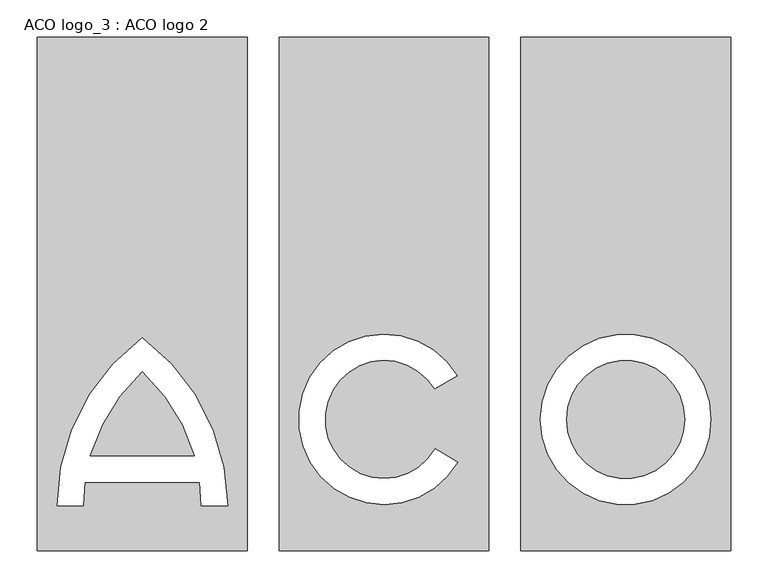
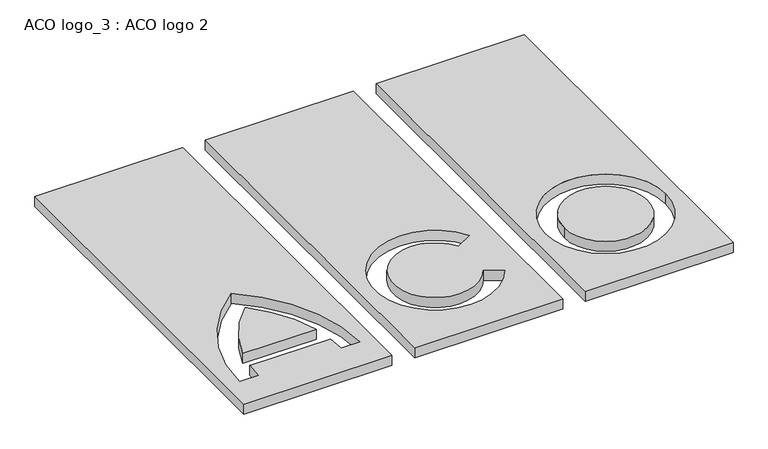
"""IFC4 building model written with IfcOpenShell, lengths in millimetres: proxy geometry, ACO logo_3 : ACO logo 2."""

from ifc_helpers import new_model, si_unit, point, frame_2d, origin, origin_with_axes, origin_2d, place, context, project, spatial, polyline, circle_curve, trimmed, segment, composite_curve, outline, extrude, source, transform, mapped, element, save


def aco_logo_3_aco_logo_2_fd4f08f5(model_context):
    return source(origin(), model_context, "Body", "SweptSolid", [
        extrude(outline(composite_curve([segment(trimmed(circle_curve(frame_2d((322.6916659, 0.0)), 78.8446383), [point((243.8470276, 0.0))], [point((401.5363043, 0.0))], False, "CARTESIAN"), True, "CONTINUOUS"), segment(trimmed(circle_curve(frame_2d((322.6916659, 0.0)), 78.8446383), [point((401.5363043, 0.0))], [point((243.8470276, 0.0))], False, "CARTESIAN"), True, "CONTINUOUS")], self_intersect=False)), origin_with_axes(), (0.0, 0.0, 1.0), 20.0),
        extrude(outline(composite_curve([segment(trimmed(circle_curve(frame_2d((-489.1421711, -116.655693)), 245.2949397), [point((-322.6918325, 63.5216981))], [point((-253.4274551, -48.7721153))], False, "CARTESIAN"), True, "CONTINUOUS"), segment(polyline([(-253.4274551, -48.7721153), (-391.9570627, -48.7721153)]), True, "CONTINUOUS"), segment(trimmed(circle_curve(frame_2d((-156.2447263, -116.6554892)), 245.2925967), [point((-391.9570627, -48.7721153))], [point((-322.6918325, 63.5216981))], False, "CARTESIAN"), True, "CONTINUOUS")], self_intersect=False)), origin_with_axes(), (0.0, 0.0, 1.0), 20.0),
        extrude(outline(polyline([(-182.6922589, -175.0), (-462.6922589, -175.0), (-462.6922589, 510.0), (-182.6922589, 510.0), (-182.6922589, -175.0)]), holes=[composite_curve([segment(trimmed(circle_curve(frame_2d((-489.1421711, -116.655693)), 245.2949397), [point((-246.0556797, -83.8141768))], [point((-243.8503465, -115.4194717))], False, "CARTESIAN"), True, "CONTINUOUS"), segment(polyline([(-243.8503465, -115.4194717), (-208.8078956, -115.4194717)]), True, "CONTINUOUS"), segment(trimmed(circle_curve(frame_2d((-489.1421711, -116.655693)), 280.3370012), [point((-208.8078956, -115.4194717))], [point((-322.691871, 108.917204))], True, "CARTESIAN"), True, "CONTINUOUS"), segment(trimmed(circle_curve(frame_2d((-156.2447263, -116.6554892)), 280.3349638), [point((-322.691871, 108.917204))], [point((-436.5769652, -115.4194717))], True, "CARTESIAN"), True, "CONTINUOUS"), segment(polyline([(-436.5769652, -115.4194717), (-401.533291, -115.4194717)]), True, "CONTINUOUS"), segment(trimmed(circle_curve(frame_2d((-156.2414664, -116.655693)), 245.2949397), [point((-401.533291, -115.4194717))], [point((-399.3279577, -83.8141768))], False, "CARTESIAN"), True, "CONTINUOUS"), segment(polyline([(-399.3279577, -83.8141768), (-246.0556797, -83.8141768)]), True, "CONTINUOUS")], self_intersect=False)]), origin_with_axes(), (0.0, 0.0, 1.0), 20.0),
        extrude(outline(polyline([(140.0, -175.0), (-140.0, -175.0), (-140.0, 510.0), (140.0, 510.0), (140.0, -175.0)]), holes=[composite_curve([segment(trimmed(circle_curve(origin_2d(), 78.8445365), [point((68.281376, -39.4222605))], [point((67.5433761, 40.6737418))], False, "CARTESIAN"), True, "CONTINUOUS"), segment(polyline([(67.5433761, 40.6737418), (97.8942123, 58.1969105)]), True, "CONTINUOUS"), segment(trimmed(circle_curve(origin_2d(), 113.8865979), [point((97.8942123, 58.1969105))], [point((98.6286808, -56.9433097))], True, "CARTESIAN"), True, "CONTINUOUS"), segment(polyline([(98.6286808, -56.9433097), (68.281376, -39.4222605)]), True, "CONTINUOUS")], self_intersect=False)]), origin_with_axes(), (0.0, 0.0, 1.0), 20.0),
        extrude(outline(polyline([(462.6916659, -175.0), (182.6916659, -175.0), (182.6916659, 510.0), (462.6916659, 510.0), (462.6916659, -175.0)]), holes=[composite_curve([segment(trimmed(circle_curve(frame_2d((322.6916659, 0.0)), 113.8866998), [point((208.8049661, 0.0))], [point((436.5783657, 0.0))], True, "CARTESIAN"), True, "CONTINUOUS"), segment(trimmed(circle_curve(frame_2d((322.6916659, 0.0)), 113.8866998), [point((436.5783657, 0.0))], [point((208.8049661, 0.0))], True, "CARTESIAN"), True, "CONTINUOUS")], self_intersect=False)]), origin_with_axes(), (0.0, 0.0, 1.0), 20.0),
    ])


if __name__ == "__main__":
    model = new_model("IFC4")
    model_context = context("Model", 3, world=origin())
    ifc_project = project(units=[si_unit("LENGTHUNIT", "METRE", prefix="MILLI")], contexts=[model_context])
    site = spatial("IfcSite", under=ifc_project)
    building = spatial("IfcBuilding", under=site)
    placement = place(None, origin())
    aco_logo_3_aco_logo_2_shape = aco_logo_3_aco_logo_2_fd4f08f5(model_context)
    element("IfcBuildingElementProxy", 1, Name="ACO logo_3 : ACO logo 2", ObjectType="ACO logo_3 : ACO logo 2", at=placement, inside=building, context=model_context, shape_type="MappedRepresentation", body=[
        mapped(aco_logo_3_aco_logo_2_shape, transform((0.0, 0.0, 0.0), x_axis=(1.0, 0.0, 0.0), y_axis=(0.0, 1.0, 0.0), z_axis=(0.0, 0.0, 1.0))),
    ])
    save(model, "model.ifc")
